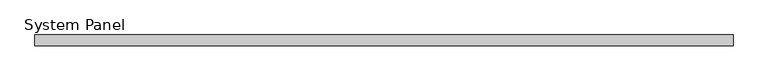
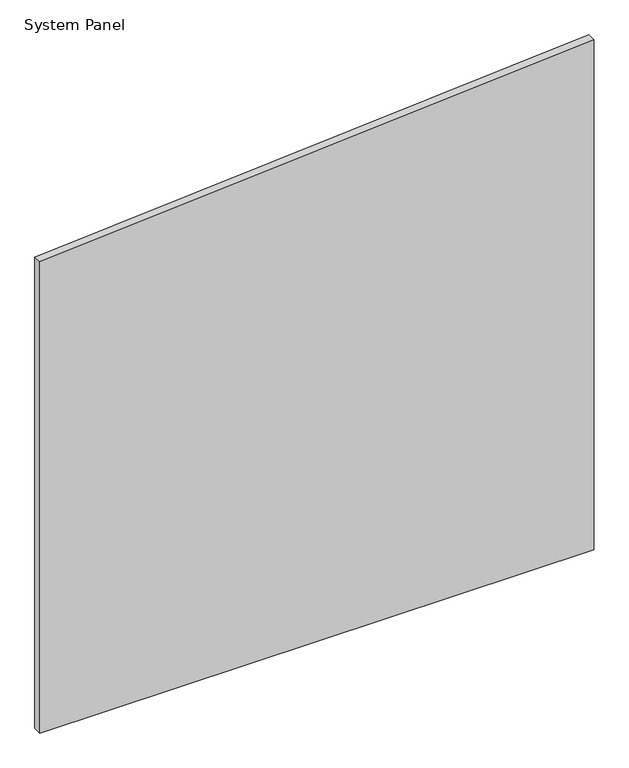
"""IFC4 building model written with IfcOpenShell, lengths in millimetres: plate geometry, System Panel."""

from ifc_helpers import new_model, si_unit, frame, origin, place, context, project, spatial, polyline, outline, extrude, source, transform, mapped, element, save


def system_panel_1a013593(model_context):
    return source(origin(), model_context, "Body", "SweptSolid", [
        extrude(outline(polyline([(0.0, -649.4789826), (0.0, 649.4789826), (1262.9986619, 649.4789826), (1167.3890777, -649.4789826), (0.0, -649.4789826)])), frame((0.0, -10.0, 0.0), z_axis=(0.0, 1.0, 0.0), x_axis=(0.0, 0.0, 1.0)), (0.0, 0.0, 1.0), 20.0),
    ])


if __name__ == "__main__":
    model = new_model("IFC4")
    model_context = context("Model", 3, world=origin())
    ifc_project = project(units=[si_unit("LENGTHUNIT", "METRE", prefix="MILLI")], contexts=[model_context])
    site = spatial("IfcSite", under=ifc_project)
    building = spatial("IfcBuilding", under=site)
    placement = place(None, origin())
    system_panel_shape = system_panel_1a013593(model_context)
    element("IfcPlate", 1, ObjectType="System Panel", at=placement, inside=building, context=model_context, shape_type="MappedRepresentation", body=[
        mapped(system_panel_shape, transform((0.0, 0.0, 0.0), x_axis=(1.0, 0.0, 0.0), y_axis=(0.0, 1.0, 0.0), z_axis=(0.0, 0.0, 1.0))),
    ])
    save(model, "model.ifc")
